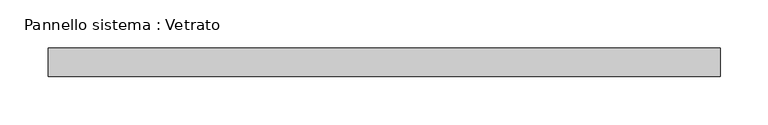
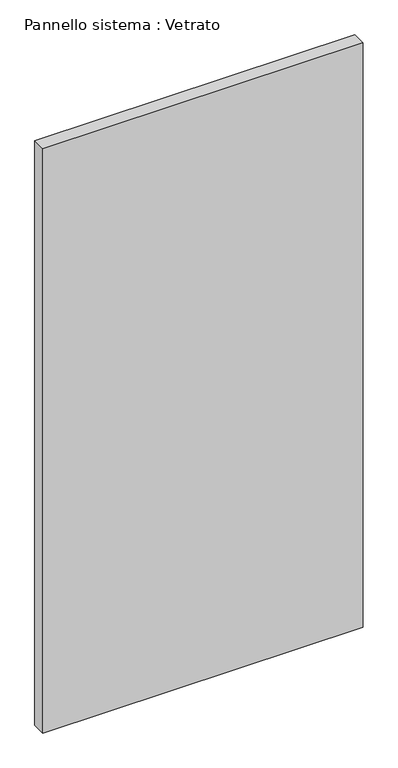
"""IFC4 building model written with IfcOpenShell, lengths in millimetres: plate geometry, Pannello sistema : Vetrato."""

import ifcopenshell
import ifcopenshell.guid

model = None  # the IFC model being written
_history = None  # IfcOwnerHistory: only IFC2X3 demands one
_inside = {}  # id of a spatial element -> (the spatial element, [elements in it])
_under = {}  # id of a project, library or spatial element -> (it, [spatial elements below it])
_declared = {}  # id of a project -> (the project, [libraries it declares])
_typed = {}  # id of a type object -> (the type object, [elements of that type])
_made_of = {}  # id of a material, layer set ... -> (it, [elements and type objects made of it])


def new_model(schema):
    """Start an empty IFC model of exactly this schema.

    Asked for "IFC4X3", IfcOpenShell would pick the latest addendum, in which some entities
    have other attributes; the version numbers below select the first issue.
    IFC2X3 requires an IfcOwnerHistory on every rooted entity: one is made here for all.
    """
    global model, _history
    if schema == "IFC4X3":
        model = ifcopenshell.file(schema_version=(4, 3, 0, 0))
    else:
        model = ifcopenshell.file(schema=schema)
    _inside.clear()
    _under.clear()
    _declared.clear()
    _typed.clear()
    _made_of.clear()
    _history = None
    if model.schema == "IFC2X3":
        org = make("IfcOrganization", Name="unknown")
        user = make(
            "IfcPersonAndOrganization",
            ThePerson=make("IfcPerson", FamilyName="unknown"),
            TheOrganization=org,
        )
        app = make(
            "IfcApplication",
            ApplicationDeveloper=org,
            Version="unknown",
            ApplicationFullName="unknown",
            ApplicationIdentifier="unknown",
        )
        _history = make(
            "IfcOwnerHistory",
            OwningUser=user,
            OwningApplication=app,
            ChangeAction="ADDED",
            CreationDate=0,
        )
    return model


def make(cls, **values):
    """One entity of the class cls with the attributes given. An attribute that is None is left unset."""
    return model.create_entity(
        cls, **{name: value for name, value in values.items() if value is not None}
    )


def rooted(cls, **values):
    """An entity with a GlobalId (a new one), such as an element, a storey or a relation."""
    return make(cls, GlobalId=ifcopenshell.guid.new(), OwnerHistory=_history, **values)


def si_unit(unit_type, name, prefix=None):
    """IfcSIUnit, for example si_unit("LENGTHUNIT", "METRE", prefix="MILLI")."""
    return make("IfcSIUnit", UnitType=unit_type, Prefix=prefix, Name=name)


def assignment(units):
    """IfcUnitAssignment: the units of a project."""
    return None if units is None else make("IfcUnitAssignment", Units=units)


def point(xyz):
    """IfcCartesianPoint."""
    return None if xyz is None else make("IfcCartesianPoint", Coordinates=xyz)


def direction(xyz):
    """IfcDirection."""
    return None if xyz is None else make("IfcDirection", DirectionRatios=xyz)


def frame(location, z_axis=None, x_axis=None):
    """IfcAxis2Placement3D, a coordinate frame: its origin and axes. An axis left out is left unset."""
    return make(
        "IfcAxis2Placement3D",
        Location=point(location),
        Axis=direction(z_axis),
        RefDirection=direction(x_axis),
    )


def origin():
    """The frame at (0, 0, 0) with its axes left unset."""
    return frame((0.0, 0.0, 0.0))


def origin_with_axes():
    """The frame at (0, 0, 0) with the z axis (0, 0, 1) and the x axis (1, 0, 0) written out."""
    return frame((0.0, 0.0, 0.0), z_axis=(0.0, 0.0, 1.0), x_axis=(1.0, 0.0, 0.0))


def place(relative_to, where):
    """IfcLocalPlacement: puts the frame where relative to a parent placement (None: the world)."""
    return make(
        "IfcLocalPlacement", PlacementRelTo=relative_to, RelativePlacement=where
    )


def context(
    kind, dimensions, precision=None, world=None, true_north=None, identifier=None
):
    """IfcGeometricRepresentationContext, for example the 3D "Model" context."""
    return make(
        "IfcGeometricRepresentationContext",
        ContextIdentifier=identifier,
        ContextType=kind,
        CoordinateSpaceDimension=dimensions,
        Precision=precision,
        WorldCoordinateSystem=world,
        TrueNorth=true_north,
    )


def project(units=None, contexts=None):
    """IfcProject with its units and contexts."""
    return rooted(
        "IfcProject",
        Name="project",
        RepresentationContexts=contexts,
        UnitsInContext=assignment(units),
    )


def spatial(cls, under=None, at=None, **own):
    """A site, building, storey or space (cls), placed at a placement, below another one or the project."""
    s = rooted(cls, ObjectPlacement=at, **own)
    if under is not None:
        _under.setdefault(under.id(), (under, []))[1].append(s)
    return s


def polyline(points):
    """IfcPolyline through the points."""
    return make("IfcPolyline", Points=[point(p) for p in points])


def outline(outer, holes=None, kind="AREA"):
    """IfcArbitraryClosedProfileDef: a profile drawn as a closed curve; with holes, ...WithVoids."""
    if holes is None:
        return make("IfcArbitraryClosedProfileDef", ProfileType=kind, OuterCurve=outer)
    return make(
        "IfcArbitraryProfileDefWithVoids",
        ProfileType=kind,
        OuterCurve=outer,
        InnerCurves=holes,
    )


def extrude(swept, where, along, depth):
    """IfcExtrudedAreaSolid: the profile swept, set in the frame where, extruded along a direction by depth."""
    return make(
        "IfcExtrudedAreaSolid",
        SweptArea=swept,
        Position=where,
        ExtrudedDirection=direction(along),
        Depth=depth,
    )


def shape(context_of_items, identifier, shape_type, items):
    """IfcShapeRepresentation: the items that make up one representation, for example the "Body"."""
    return make(
        "IfcShapeRepresentation",
        ContextOfItems=context_of_items,
        RepresentationIdentifier=identifier,
        RepresentationType=shape_type,
        Items=items,
    )


def source(mapping_origin, context_of_items, identifier, shape_type, items):
    """IfcRepresentationMap: a shape defined once, which mapped items show again and again."""
    return make(
        "IfcRepresentationMap",
        MappingOrigin=mapping_origin,
        MappedRepresentation=shape(context_of_items, identifier, shape_type, items),
    )


def transform(
    local_origin,
    x_axis=None,
    y_axis=None,
    z_axis=None,
    scale=None,
    scale2=None,
    scale3=None,
    uniform=True,
):
    """IfcCartesianTransformationOperator3D, or its non-uniform kind. x_axis, y_axis, z_axis: its Axis1, 2, 3."""
    if uniform:
        return make(
            "IfcCartesianTransformationOperator3D",
            Axis1=direction(x_axis),
            Axis2=direction(y_axis),
            LocalOrigin=point(local_origin),
            Scale=scale,
            Axis3=direction(z_axis),
        )
    return make(
        "IfcCartesianTransformationOperator3DnonUniform",
        Axis1=direction(x_axis),
        Axis2=direction(y_axis),
        LocalOrigin=point(local_origin),
        Scale=scale,
        Axis3=direction(z_axis),
        Scale2=scale2,
        Scale3=scale3,
    )


def mapped(mapping_source, mapping_target):
    """IfcMappedItem: shows the shape of a source again, moved by a transform."""
    return make(
        "IfcMappedItem", MappingSource=mapping_source, MappingTarget=mapping_target
    )


def made_of(thing, what):
    """Note that an element or type object is made of a material, layer set ...; save() writes the relation."""
    if what is not None:
        _made_of.setdefault(what.id(), (what, []))[1].append(thing)
    return thing


def element(
    cls,
    number,
    at=None,
    inside=None,
    cuts=None,
    type_object=None,
    material=None,
    context=None,
    identifier="Body",
    shape_type=None,
    held_by="IfcProductDefinitionShape",
    body=None,
    shapes=None,
    **own,
):
    """One element of the class cls, such as IfcWall. Its Tag is "e" and its number.

    at: its placement. inside: the storey or other place that contains it. cuts: it is an
    opening in that element (IfcRelVoidsElement). A single representation is given by context,
    identifier, shape_type and body (its items); several are given by shapes. held_by: the class
    of the entity that holds the representations. save() writes the other relations.
    """
    e = rooted(cls, Tag="e%d" % number, ObjectPlacement=at, **own)
    if body is not None:
        shapes = [shape(context, identifier, shape_type, body)]
    if shapes is not None:
        e.Representation = make(held_by, Representations=shapes)
    if inside is not None:
        _inside.setdefault(inside.id(), (inside, []))[1].append(e)
    if cuts is not None:
        rooted(
            "IfcRelVoidsElement", RelatingBuildingElement=cuts, RelatedOpeningElement=e
        )
    if type_object is not None:
        _typed.setdefault(type_object.id(), (type_object, []))[1].append(e)
    return made_of(e, material)


def aggregate(whole, parts):
    """IfcRelAggregates: a whole, such as a stair, and the parts it consists of."""
    return rooted("IfcRelAggregates", RelatingObject=whole, RelatedObjects=parts)


def save(model, path):
    """Write the relations noted so far, then the file.

    IfcRelAggregates (storeys below a building ...), IfcRelContainedInSpatialStructure (elements
    in a storey), IfcRelDefinesByType, IfcRelAssociatesMaterial and IfcRelDeclares: one each for
    every whole, place, type object, material and project.
    """
    for whole, parts in _under.values():
        aggregate(whole, parts)
    for where, things in _inside.values():
        rooted(
            "IfcRelContainedInSpatialStructure",
            RelatedElements=things,
            RelatingStructure=where,
        )
    for kind, things in _typed.values():
        rooted("IfcRelDefinesByType", RelatedObjects=things, RelatingType=kind)
    for what, things in _made_of.values():
        rooted("IfcRelAssociatesMaterial", RelatedObjects=things, RelatingMaterial=what)
    for by, libraries in _declared.values():
        rooted("IfcRelDeclares", RelatingContext=by, RelatedDefinitions=libraries)
    model.write(path)


def pannello_sistema_vetrato_6db8e9dd(model_context):
    return source(origin(), model_context, "Body", "SweptSolid", [
        extrude(outline(polyline([(350.0, -15.0), (-350.0, -15.0), (-350.0, 15.0), (350.0, 15.0), (350.0, -15.0)])), origin_with_axes(), (0.0, 0.0, 1.0), 1350.0),
    ])


if __name__ == "__main__":
    model = new_model("IFC4")
    model_context = context("Model", 3, world=origin())
    ifc_project = project(units=[si_unit("LENGTHUNIT", "METRE", prefix="MILLI")], contexts=[model_context])
    site = spatial("IfcSite", under=ifc_project)
    building = spatial("IfcBuilding", under=site)
    placement = place(None, origin())
    pannello_sistema_vetrato_shape = pannello_sistema_vetrato_6db8e9dd(model_context)
    element("IfcPlate", 1, ObjectType="Pannello sistema : Vetrato", at=placement, inside=building, context=model_context, shape_type="MappedRepresentation", body=[
        mapped(pannello_sistema_vetrato_shape, transform((0.0, 0.0, 0.0), x_axis=(1.0, 0.0, 0.0), y_axis=(0.0, 1.0, 0.0), z_axis=(0.0, 0.0, 1.0))),
    ])
    save(model, "model.ifc")
